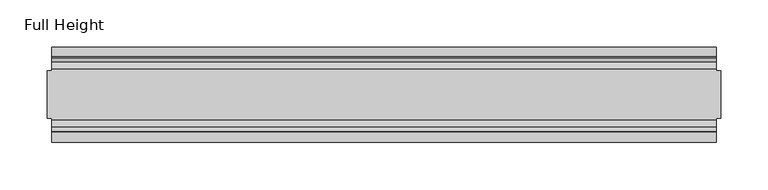
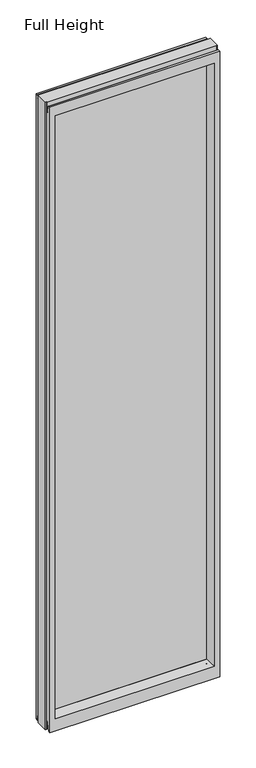
"""IFC4 building model written with IfcOpenShell, lengths in millimetres: plate geometry, Full Height."""

from ifc_helpers import new_model, si_unit, frame, origin, place, context, project, spatial, polyline, circle_curve, outline, extrude, source, transform, mapped, element, save
from ifc_brep_helpers import plane_surface, cylinder_surface, revolved_surface, advanced_brep


def full_height_ba47ca7f(model_context):
    return source(origin(), model_context, "Body", "SolidModel", [
        advanced_brep(
        [(355.6, 25.146, 2743.2), (351.028, 25.146, 2743.2), (351.028, 26.67, 2743.2), (-351.028, 26.67, 2743.2), (-351.028, 25.146, 2743.2), (-355.6, 25.146, 2743.2), (-355.6, -25.146, 2743.2), (-351.028, -25.146, 2743.2), (-351.028, -26.67, 2743.2), (351.028, -26.67, 2743.2), (351.028, -25.146, 2743.2), (355.6, -25.146, 2743.2), (355.6, 25.146, 0.0), (355.6, -25.146, 0.0), (351.028, -25.146, 0.0), (351.028, -26.67, 0.0), (-351.028, -26.67, 0.0), (-351.028, -25.146, 0.0), (-355.6, -25.146, 0.0), (-355.6, 25.146, 0.0), (-351.028, 25.146, 0.0), (-351.028, 26.67, 0.0), (351.028, 26.67, 0.0), (351.028, 25.146, 0.0), (-351.028, 40.7946686, 0.0), (-351.028, 50.0, 0.0), (351.028, 50.0, 0.0), (351.028, 40.7946686, 0.0), (-351.028, 26.67, 36.4542208), (351.028, 26.67, 36.4542208), (-351.028, -26.67, 36.4542208), (-351.028, -34.2686707, 36.8568054), (-351.028, -36.9464913, 11.6561909), (-351.028, -39.043018, 8.6755976), (-351.028, -39.5246686, 7.9074686), (-351.028, -39.5246686, 1.27), (-351.028, -40.7946686, 0.0), (-351.028, -50.0, 0.0), (-351.028, -50.0, 2734.056), (-351.028, -39.9371387, 2734.056), (-351.028, -39.1867152, 2733.4263199), (-351.028, -34.2321175, 2705.3274004), (-351.028, -26.67, 2705.989), (-351.028, 39.5246686, 1.27), (-351.028, 39.5246686, 7.9074686), (-351.028, 39.043018, 8.6755976), (-351.028, 36.9464913, 11.6561909), (-351.028, 34.2686707, 36.8568054), (-351.028, 26.67, 2705.989), (-351.028, 34.2321175, 2705.3274004), (-351.028, 39.1867152, 2733.4263199), (-351.028, 39.9371387, 2734.056), (-351.028, 50.0, 2734.056), (351.028, -50.0, 0.0), (351.028, -50.0, 2734.056), (-328.93, -50.0, 2689.479), (328.93, -50.0, 2689.479), (328.93, -50.0, 52.8372208), (-328.93, -50.0, 52.8372208), (351.028, 50.0, 2734.056), (-328.93, 50.0, 52.8372208), (328.93, 50.0, 52.8372208), (328.93, 50.0, 2689.479), (-328.93, 50.0, 2689.479), (-322.961, -6.1006519, 58.8062208), (-322.961, -6.1006519, 2683.51), (-322.961, 6.1006519, 2683.51), (-322.961, 6.1006519, 58.8062208), (322.961, 6.1006519, 58.8062208), (322.961, 6.1006519, 2683.51), (322.961, -6.1006519, 2683.51), (322.961, -6.1006519, 58.8062208), (351.028, -40.7946686, 0.0), (351.028, -39.5246686, 1.27), (351.028, -39.5246686, 7.9074686), (351.028, -39.043018, 8.6755976), (351.028, -36.9464913, 11.6561909), (351.028, -34.2686707, 36.8568054), (351.028, -26.67, 36.4542208), (351.028, -26.67, 2705.989), (351.028, -34.2321175, 2705.3274004), (351.028, -39.1867152, 2733.4263199), (351.028, -39.9371387, 2734.056), (351.028, 39.9371387, 2734.056), (351.028, 39.1867152, 2733.4263199), (351.028, 34.2321175, 2705.3274004), (351.028, 26.67, 2705.989), (351.028, 34.2686707, 36.8568054), (351.028, 36.9464913, 11.6561909), (351.028, 39.043018, 8.6755976), (351.028, 39.5246686, 7.9074686), (351.028, 39.5246686, 1.27)],
        [
            (0, 1),
            (1, 2),
            (2, 3),
            (3, 4),
            (4, 5),
            (5, 6),
            (6, 7),
            (7, 8),
            (8, 9),
            (9, 10),
            (10, 11),
            (11, 0),
            (12, 13),
            (13, 14),
            (14, 15),
            (15, 16),
            (16, 17),
            (17, 18),
            (18, 19),
            (19, 20),
            (20, 21),
            (21, 22),
            (22, 23),
            (23, 12),
            (23, 1),
            (0, 12),
            (10, 14),
            (13, 11),
            (5, 19),
            (18, 6),
            (17, 7),
            (4, 20),
            (24, 25),
            (25, 26),
            (26, 27),
            (27, 24),
            (21, 28),
            (28, 29),
            (29, 22),
            (16, 30),
            (30, 31, circle_curve(frame((-351.028, -30.48, 36.4542208), z_axis=(1.0, 0.0, 0.0), x_axis=(0.0, -1.0, 0.0)), 3.81)),
            (31, 32),
            (32, 33, circle_curve(frame((-351.028, -40.6770502, 12.0526006), z_axis=(-1.0, 0.0, 0.0), x_axis=(0.0, -1.0, 0.0)), 3.751561)),
            (33, 34, circle_curve(frame((-351.028, -38.671343, 7.9074686), z_axis=(1.0, 0.0, 0.0), x_axis=(0.0, -1.0, 0.0)), 0.8533256)),
            (34, 35),
            (35, 36, circle_curve(frame((-351.028, -40.7946686, 1.27), z_axis=(-1.0, 0.0, 0.0), x_axis=(0.0, -1.0, 0.0)), 1.27)),
            (36, 37),
            (37, 38),
            (38, 39),
            (39, 40, circle_curve(frame((-351.028, -39.9371387, 2733.294), z_axis=(-1.0, 0.0, 0.0), x_axis=(0.0, -1.0, 0.0)), 0.762)),
            (40, 41),
            (41, 42, circle_curve(frame((-351.028, -30.48, 2705.989), z_axis=(1.0, 0.0, 0.0), x_axis=(0.0, -1.0, 0.0)), 3.81)),
            (42, 8),
            (24, 43, circle_curve(frame((-351.028, 40.7946686, 1.27), z_axis=(-1.0, 0.0, 0.0), x_axis=(0.0, -1.0, 0.0)), 1.27)),
            (43, 44),
            (44, 45, circle_curve(frame((-351.028, 38.671343, 7.9074686), z_axis=(1.0, 0.0, 0.0), x_axis=(0.0, -1.0, 0.0)), 0.8533256)),
            (45, 46, circle_curve(frame((-351.028, 40.6770502, 12.0526006), z_axis=(-1.0, 0.0, 0.0), x_axis=(0.0, -1.0, 0.0)), 3.751561)),
            (46, 47),
            (47, 28, circle_curve(frame((-351.028, 30.48, 36.4542208), z_axis=(1.0, 0.0, 0.0), x_axis=(0.0, -1.0, 0.0)), 3.81)),
            (3, 48),
            (48, 49, circle_curve(frame((-351.028, 30.48, 2705.989), z_axis=(1.0, 0.0, 0.0), x_axis=(0.0, -1.0, 0.0)), 3.81)),
            (49, 50),
            (50, 51, circle_curve(frame((-351.028, 39.9371387, 2733.294), z_axis=(-1.0, 0.0, 0.0), x_axis=(0.0, -1.0, 0.0)), 0.762)),
            (51, 52),
            (52, 25),
            (37, 53),
            (53, 54),
            (54, 38),
            (55, 56),
            (56, 57),
            (57, 58),
            (58, 55),
            (52, 59),
            (59, 26),
            (60, 61),
            (61, 62),
            (62, 63),
            (63, 60),
            (58, 64),
            (64, 65),
            (65, 55),
            (63, 66),
            (66, 67),
            (67, 60),
            (61, 68),
            (68, 69),
            (69, 62),
            (70, 71),
            (71, 57),
            (56, 70),
            (53, 72),
            (72, 73, circle_curve(frame((351.028, -40.7946686, 1.27), z_axis=(1.0, 0.0, 0.0), x_axis=(0.0, -1.0, 0.0)), 1.27)),
            (73, 74),
            (74, 75, circle_curve(frame((351.028, -38.671343, 7.9074686), z_axis=(-1.0, 0.0, 0.0), x_axis=(0.0, -1.0, 0.0)), 0.8533256)),
            (75, 76, circle_curve(frame((351.028, -40.6770502, 12.0526006), z_axis=(1.0, 0.0, 0.0), x_axis=(0.0, -1.0, 0.0)), 3.751561)),
            (76, 77),
            (77, 78, circle_curve(frame((351.028, -30.48, 36.4542208), z_axis=(-1.0, 0.0, 0.0), x_axis=(0.0, -1.0, 0.0)), 3.81)),
            (78, 15),
            (9, 79),
            (79, 80, circle_curve(frame((351.028, -30.48, 2705.989), z_axis=(-1.0, 0.0, 0.0), x_axis=(0.0, -1.0, 0.0)), 3.81)),
            (80, 81),
            (81, 82, circle_curve(frame((351.028, -39.9371387, 2733.294), z_axis=(1.0, 0.0, 0.0), x_axis=(0.0, -1.0, 0.0)), 0.762)),
            (82, 54),
            (59, 83),
            (83, 84, circle_curve(frame((351.028, 39.9371387, 2733.294), z_axis=(1.0, 0.0, 0.0), x_axis=(0.0, -1.0, 0.0)), 0.762)),
            (84, 85),
            (85, 86, circle_curve(frame((351.028, 30.48, 2705.989), z_axis=(-1.0, 0.0, 0.0), x_axis=(0.0, -1.0, 0.0)), 3.81)),
            (86, 2),
            (29, 87, circle_curve(frame((351.028, 30.48, 36.4542208), z_axis=(-1.0, 0.0, 0.0), x_axis=(0.0, -1.0, 0.0)), 3.81)),
            (87, 88),
            (88, 89, circle_curve(frame((351.028, 40.6770502, 12.0526006), z_axis=(1.0, 0.0, 0.0), x_axis=(0.0, -1.0, 0.0)), 3.751561)),
            (89, 90, circle_curve(frame((351.028, 38.671343, 7.9074686), z_axis=(-1.0, 0.0, 0.0), x_axis=(0.0, -1.0, 0.0)), 0.8533256)),
            (90, 91),
            (91, 27, circle_curve(frame((351.028, 40.7946686, 1.27), z_axis=(1.0, 0.0, 0.0), x_axis=(0.0, -1.0, 0.0)), 1.27)),
            (91, 43),
            (90, 44),
            (89, 45),
            (88, 46),
            (87, 47),
            (78, 30),
            (31, 77),
            (76, 32),
            (75, 33),
            (74, 34),
            (73, 35),
            (72, 36),
            (71, 64),
            (67, 68),
            (86, 48),
            (85, 49),
            (84, 50),
            (83, 51),
            (69, 66),
            (65, 70),
            (82, 39),
            (81, 40),
            (80, 41),
            (79, 42),
            (65, 66),
            (69, 70),
            (71, 68),
            (67, 64),
        ],
        [
            plane_surface(frame((351.028, 25.146, 2743.2), z_axis=(0.0, 0.0, 1.0), x_axis=(-1.0, 0.0, 0.0))),
            plane_surface(frame((351.028, 25.146, 0.0), z_axis=(0.0, 0.0, -1.0), x_axis=(1.0, 0.0, 0.0))),
            plane_surface(frame((355.6, 25.146, 2743.2), z_axis=(0.0, 1.0, 0.0), x_axis=(0.0, 0.0, -1.0))),
            plane_surface(frame((351.028, -25.146, 2743.2), z_axis=(0.0, -1.0, 0.0), x_axis=(0.0, 0.0, -1.0))),
            plane_surface(frame((355.6, -25.146, 2743.2), z_axis=(1.0, 0.0, 0.0), x_axis=(0.0, 0.0, -1.0))),
            plane_surface(frame((-355.6, 25.146, 2743.2), z_axis=(-1.0, 0.0, 0.0), x_axis=(0.0, 0.0, -1.0))),
            plane_surface(frame((-355.6, -25.146, 2743.2), z_axis=(0.0, -1.0, 0.0), x_axis=(0.0, 0.0, -1.0))),
            plane_surface(frame((-351.028, 25.146, 2743.2), z_axis=(0.0, 1.0, 0.0), x_axis=(0.0, 0.0, -1.0))),
            plane_surface(frame((-351.028, 50.0, 0.0), z_axis=(0.0, 0.0, -1.0), x_axis=(1.0, 0.0, 0.0))),
            plane_surface(frame((-351.028, 26.67, 36.4542208), z_axis=(0.0, 1.0, 0.0), x_axis=(1.0, 0.0, 0.0))),
            plane_surface(frame((-351.028, 50.0, 2701.2646), z_axis=(-1.0, 0.0, 0.0), x_axis=(0.0, 0.0, -1.0))),
            plane_surface(frame((-351.028, -50.0, 2701.2646), z_axis=(0.0, -1.0, 0.0), x_axis=(0.0, 0.0, -1.0))),
            plane_surface(frame((-328.93, 50.0, 2701.2646), z_axis=(0.0, 1.0, 0.0), x_axis=(0.0, 0.0, -1.0))),
            plane_surface(frame((-328.93, -50.0, 2701.2646), z_axis=(0.9908822943533606, -0.13473039277393942, 0.0), x_axis=(0.0, 0.0, -1.0))),
            plane_surface(frame((-322.961, 6.1006519, 2701.2646), z_axis=(0.9908822943533612, 0.13473039277393595, 0.0), x_axis=(0.0, 0.0, -1.0))),
            plane_surface(frame((328.93, 50.0, 2701.2646), z_axis=(-0.9908822943533605, 0.1347303927739403, 0.0), x_axis=(0.0, 0.0, -1.0))),
            plane_surface(frame((322.961, -6.1006519, 2701.2646), z_axis=(-0.9908822943533563, -0.13473039277397156, 0.0), x_axis=(0.0, 0.0, -1.0))),
            plane_surface(frame((351.028, -50.0, 2701.2646), z_axis=(1.0, 0.0, 0.0), x_axis=(0.0, 0.0, -1.0))),
            cylinder_surface(frame((351.028, 40.7946686, 1.27), z_axis=(-1.0, 0.0, 0.0), x_axis=(0.0, -1.0, 0.0)), 1.27),
            plane_surface(frame((-351.028, 39.5246686, 1.27), z_axis=(0.0, -1.0, 0.0), x_axis=(1.0, 0.0, 0.0))),
            revolved_surface(polyline([(351.028, 37.8180174, 7.9074686), (-351.028, 37.8180174, 7.9074686)]), (351.028, 38.671343, 7.9074686), (1.0, 0.0, 0.0)),
            cylinder_surface(frame((351.028, 40.6770502, 12.0526006), z_axis=(-1.0, 0.0, 0.0), x_axis=(0.0, -1.0, 0.0)), 3.751561),
            plane_surface(frame((-351.028, 36.9464913, 11.6561909), z_axis=(0.0, -0.9944017560866669, -0.1056652615184055), x_axis=(1.0, 0.0, 0.0))),
            plane_surface(frame((-351.028, -26.67, 0.0), z_axis=(0.0, -1.0, 0.0), x_axis=(1.0, 0.0, 0.0))),
            plane_surface(frame((-351.028, -34.2686707, 36.8568054), z_axis=(0.0, 0.994401756086622, -0.10566526151882812), x_axis=(1.0, 0.0, 0.0))),
            cylinder_surface(frame((351.028, -40.6770502, 12.0526006), z_axis=(-1.0, 0.0, 0.0), x_axis=(0.0, -1.0, 0.0)), 3.751561),
            revolved_surface(polyline([(351.028, -39.5246686, 7.9074686), (-351.028, -39.5246686, 7.9074686)]), (351.028, -38.671343, 7.9074686), (1.0, 0.0, 0.0)),
            plane_surface(frame((-351.028, -39.5246686, 7.9074686), z_axis=(0.0, 1.0, 0.0), x_axis=(1.0, 0.0, 0.0))),
            cylinder_surface(frame((351.028, -40.7946686, 1.27), z_axis=(-1.0, 0.0, 0.0), x_axis=(0.0, -1.0, 0.0)), 1.27),
            plane_surface(frame((-351.028, -40.7946686, 0.0), z_axis=(0.0, 0.0, -1.0), x_axis=(1.0, 0.0, 0.0))),
            plane_surface(frame((-351.028, -50.0, 52.8372208), z_axis=(0.0, -0.13473039277394738, 0.9908822943533596), x_axis=(1.0, 0.0, 0.0))),
            plane_surface(frame((-351.028, 6.1006519, 58.8062208), z_axis=(0.0, 0.13473039277399934, 0.9908822943533526), x_axis=(1.0, 0.0, 0.0))),
            revolved_surface(polyline([(351.028, 26.67, 36.4542208), (-351.028, 26.67, 36.4542208)]), (351.028, 30.48, 36.4542208), (1.0, 0.0, 0.0)),
            revolved_surface(polyline([(351.028, -34.29, 36.4542208), (-351.028, -34.29, 36.4542208)]), (351.028, -30.48, 36.4542208), (1.0, 0.0, 0.0)),
            plane_surface(frame((-351.028, 26.67, 2743.2), z_axis=(0.0, 1.0, 0.0), x_axis=(1.0, 0.0, 0.0))),
            revolved_surface(polyline([(351.028, 26.67, 2705.989), (-351.028, 26.67, 2705.989)]), (-355.6, 30.48, 2705.989), (1.0, 0.0, 0.0)),
            plane_surface(frame((-351.028, 34.2321175, 2705.3274004), z_axis=(0.0, -0.9848077530113105, 0.1736481776720208), x_axis=(1.0, 0.0, 0.0))),
            cylinder_surface(frame((-355.6, 39.9371387, 2733.294), z_axis=(-1.0, 0.0, 0.0), x_axis=(0.0, -1.0, 0.0)), 0.762),
            plane_surface(frame((-351.028, 39.9371387, 2734.056), z_axis=(0.0, 0.0, 1.0), x_axis=(1.0, 0.0, 0.0))),
            plane_surface(frame((-351.028, 50.0, 2689.479), z_axis=(0.0, 0.1347303927734499, -0.9908822943534272), x_axis=(1.0, 0.0, 0.0))),
            plane_surface(frame((-351.028, -6.1006519, 2683.51), z_axis=(0.0, -0.13473039277247661, -0.9908822943535596), x_axis=(1.0, 0.0, 0.0))),
            plane_surface(frame((-351.028, -50.0, 2734.056), z_axis=(0.0, 0.0, 1.0), x_axis=(1.0, 0.0, 0.0))),
            cylinder_surface(frame((-355.6, -39.9371387, 2733.294), z_axis=(-1.0, 0.0, 0.0), x_axis=(0.0, -1.0, 0.0)), 0.762),
            plane_surface(frame((-351.028, -39.1867152, 2733.4263199), z_axis=(0.0, 0.9848077530103817, 0.17364817767728802), x_axis=(1.0, 0.0, 0.0))),
            revolved_surface(polyline([(351.028, -34.29, 2705.989), (-351.028, -34.29, 2705.989)]), (-355.6, -30.48, 2705.989), (1.0, 0.0, 0.0)),
            plane_surface(frame((-351.028, -26.67, 2705.989), z_axis=(0.0, -1.0, 0.0), x_axis=(1.0, 0.0, 0.0))),
            plane_surface(frame((-351.028, 6.1006519, 2683.51), z_axis=(0.0, 0.0, -1.0), x_axis=(1.0, 0.0, 0.0))),
            plane_surface(frame((-351.028, -6.1006519, 58.8062208), z_axis=(0.0, 0.0, 1.0), x_axis=(1.0, 0.0, 0.0))),
            plane_surface(frame((-322.961, -6.1006519, 2701.2646), z_axis=(1.0, 0.0, 0.0), x_axis=(0.0, 0.0, -1.0))),
            plane_surface(frame((322.961, 6.1006519, 2701.2646), z_axis=(-1.0, 0.0, 0.0), x_axis=(0.0, 0.0, -1.0))),
        ],
        [
            (0, [[1, 2, 3, 4, 5, 6, 7, 8, 9, 10, 11, 12]]),
            (1, [[13, 14, 15, 16, 17, 18, 19, 20, 21, 22, 23, 24]]),
            (2, [[25, -1, 26, -24]]),
            (3, [[-11, 27, -14, 28]]),
            (4, [[-12, -28, -13, -26]]),
            (5, [[-6, 29, -19, 30]]),
            (6, [[31, -7, -30, -18]]),
            (7, [[-5, 32, -20, -29]]),
            (8, [[33, 34, 35, 36]]),
            (9, [[37, 38, 39, -22]]),
            (10, [[-17, 40, 41, 42, 43, 44, 45, 46, 47, 48, 49, 50, 51, 52, 53, -8, -31]]),
            (10, [[-33, 54, 55, 56, 57, 58, 59, -37, -21, -32, -4, 60, 61, 62, 63, 64, 65]]),
            (11, [[-48, 66, 67, 68], [69, 70, 71, 72]]),
            (12, [[-65, 73, 74, -34], [75, 76, 77, 78]]),
            (13, [[-72, 79, 80, 81]]),
            (14, [[-78, 82, 83, 84]]),
            (15, [[-76, 85, 86, 87]]),
            (16, [[88, 89, -70, 90]]),
            (17, [[-67, 91, 92, 93, 94, 95, 96, 97, 98, -15, -27, -10, 99, 100, 101, 102, 103]]),
            (17, [[-74, 104, 105, 106, 107, 108, -2, -25, -23, -39, 109, 110, 111, 112, 113, 114, -35]]),
            (18, [[-54, -36, -114, 115]]),
            (19, [[-55, -115, -113, 116]]),
            (20, [[-56, -116, -112, 117]]),
            (21, [[-57, -117, -111, 118]]),
            (22, [[-58, -118, -110, 119]]),
            (23, [[-40, -16, -98, 120]]),
            (24, [[-42, 121, -96, 122]]),
            (25, [[-43, -122, -95, 123]]),
            (26, [[-44, -123, -94, 124]]),
            (27, [[-45, -124, -93, 125]]),
            (28, [[-46, -125, -92, 126]]),
            (29, [[-47, -126, -91, -66]]),
            (30, [[-71, -89, 127, -79]]),
            (31, [[-75, -84, 128, -85]]),
            (32, [[-59, -119, -109, -38]]),
            (33, [[-41, -120, -97, -121]]),
            (34, [[-60, -3, -108, 129]]),
            (35, [[-61, -129, -107, 130]]),
            (36, [[-62, -130, -106, 131]]),
            (37, [[-63, -131, -105, 132]]),
            (38, [[-64, -132, -104, -73]]),
            (39, [[-77, -87, 133, -82]]),
            (40, [[-69, -81, 134, -90]]),
            (41, [[-49, -68, -103, 135]]),
            (42, [[-50, -135, -102, 136]]),
            (43, [[-51, -136, -101, 137]]),
            (44, [[-52, -137, -100, 138]]),
            (45, [[-53, -138, -99, -9]]),
            (46, [[-134, 139, -133, 140]]),
            (47, [[-127, 141, -128, 142]]),
            (48, [[-83, -139, -80, -142]]),
            (49, [[-88, -140, -86, -141]]),
        ],
    ),
        extrude(outline(polyline([(-322.961, 4.826), (322.961, 4.826), (322.961, -4.826), (-322.961, -4.826), (-322.961, 4.826)])), frame((0.0, 0.0, 58.8062208), z_axis=(0.0, 0.0, 1.0), x_axis=(1.0, 0.0, 0.0)), (0.0, 0.0, 1.0), 2624.7037792),
    ])


if __name__ == "__main__":
    model = new_model("IFC4")
    model_context = context("Model", 3, world=origin())
    ifc_project = project(units=[si_unit("LENGTHUNIT", "METRE", prefix="MILLI")], contexts=[model_context])
    site = spatial("IfcSite", under=ifc_project)
    building = spatial("IfcBuilding", under=site)
    placement = place(None, origin())
    full_height_shape = full_height_ba47ca7f(model_context)
    element("IfcPlate", 1, ObjectType="Full Height", at=placement, inside=building, context=model_context, shape_type="MappedRepresentation", body=[
        mapped(full_height_shape, transform((0.0, 0.0, 0.0), x_axis=(1.0, 0.0, 0.0), y_axis=(0.0, 1.0, 0.0), z_axis=(0.0, 0.0, 1.0))),
    ])
    save(model, "model.ifc")
